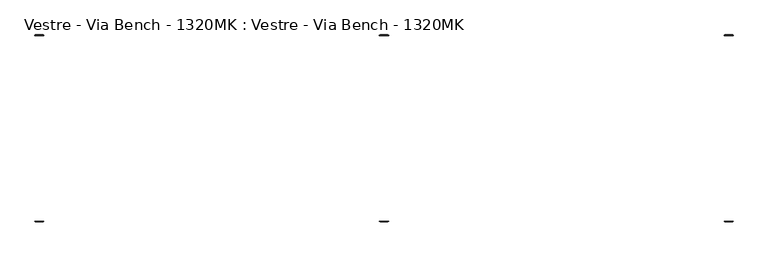
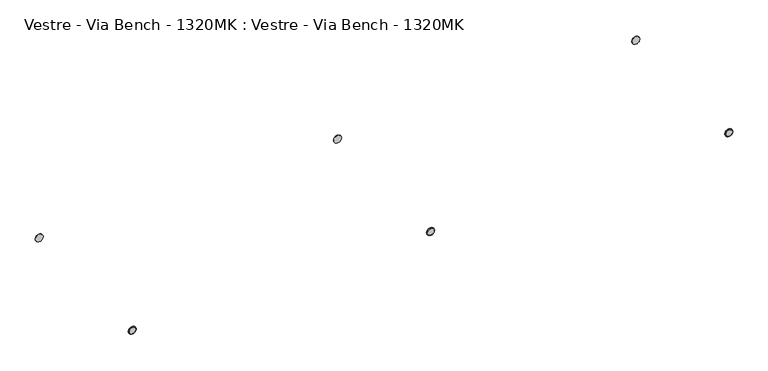
"""IFC4 building model written with IfcOpenShell, lengths in millimetres: furniture geometry, Vestre - Via Bench - 1320MK : Vestre - Via Bench - 1320MK."""

from ifc_helpers import new_model, si_unit, frame, origin, place, context, project, spatial, polyline, circle_curve, source, transform, mapped, element, save
from ifc_brep_helpers import plane_surface, cylinder_surface, revolved_surface, advanced_brep


def vestre_via_bench_1320mk_vestre_via_bench_1320mk_0cccfbcb(model_context):
    return source(origin(), model_context, "Body", "AdvancedBrep", [
        advanced_brep(
        [(932.4972559, 255.6840771, 71.499157), (957.4154558, 255.6840771, 71.499157), (957.4154558, 254.7292979, 71.499157), (932.4972559, 254.7292979, 71.499157), (934.0131788, 257.2, 71.499157), (955.8995329, 257.2, 71.499157)],
        [
            (0, 1, circle_curve(frame((944.9563558, 255.6840771, 71.499157), z_axis=(0.0, -1.0, 0.0), x_axis=(1.0, 0.0, 0.0)), 12.4590999)),
            (1, 2),
            (2, 3, circle_curve(frame((944.9563558, 254.7292979, 71.499157), z_axis=(0.0, 1.0, 0.0), x_axis=(1.0, 0.0, 0.0)), 12.4590999)),
            (3, 0),
            (0, 4),
            (4, 5, circle_curve(frame((944.9563558, 257.2, 71.499157), z_axis=(0.0, -1.0, 0.0), x_axis=(1.0, 0.0, 0.0)), 10.943177)),
            (5, 1),
            (2, 3, circle_curve(frame((944.9563558, 254.7292979, 71.499157), z_axis=(0.0, -1.0, 0.0), x_axis=(-1.0, 0.0, 0.0)), 12.4590999)),
            (1, 0, circle_curve(frame((944.9563558, 255.6840771, 71.499157), z_axis=(0.0, -1.0, 0.0), x_axis=(-1.0, 0.0, 0.0)), 12.4590999)),
            (5, 4, circle_curve(frame((944.9563558, 257.2, 71.499157), z_axis=(0.0, -1.0, 0.0), x_axis=(-1.0, 0.0, 0.0)), 10.943177)),
        ],
        [
            cylinder_surface(frame((944.9563558, 0.0, 71.499157), z_axis=(0.0, 1.0, 0.0), x_axis=(1.0, 0.0, 0.0)), 12.4590999),
            revolved_surface(polyline([(957.4154558, 255.6840771, 71.499157), (955.8995329, 257.2, 71.499157)]), (944.9563558, 0.0, 71.499157), (0.0, 1.0, 0.0)),
            plane_surface(frame((944.9563558, 254.7292979, 71.499157), z_axis=(0.0, -1.0, 0.0), x_axis=(-1.0, 0.0, 0.0))),
            cylinder_surface(frame((944.9563558, 0.0, 71.499157), z_axis=(0.0, 1.0, 0.0), x_axis=(-1.0, 0.0, 0.0)), 12.4590999),
            revolved_surface(polyline([(932.4972559, 255.6840771, 71.499157), (934.0131788, 257.2, 71.499157)]), (944.9563558, 0.0, 71.499157), (0.0, 1.0, 0.0)),
            plane_surface(frame((944.9563558, 257.2, 71.499157), z_axis=(0.0, 1.0, 0.0), x_axis=(-1.0, 0.0, 0.0))),
        ],
        [
            (0, [[1, 2, 3, 4]]),
            (1, [[-1, 5, 6, 7]]),
            (2, [[-3, 8]]),
            (3, [[-2, 9, -4, -8]]),
            (4, [[-7, 10, -5, -9]]),
            (5, [[-6, -10]]),
        ],
    ),
        advanced_brep(
        [(-12.4590999, 255.6840771, 71.499157), (12.4590999, 255.6840771, 71.499157), (12.4590999, 254.7292979, 71.499157), (-12.4590999, 254.7292979, 71.499157), (-10.943177, 257.2, 71.499157), (10.943177, 257.2, 71.499157)],
        [
            (0, 1, circle_curve(frame((0.0, 255.6840771, 71.499157), z_axis=(0.0, -1.0, 0.0), x_axis=(1.0, 0.0, 0.0)), 12.4590999)),
            (1, 2),
            (2, 3, circle_curve(frame((0.0, 254.7292979, 71.499157), z_axis=(0.0, 1.0, 0.0), x_axis=(1.0, 0.0, 0.0)), 12.4590999)),
            (3, 0),
            (0, 4),
            (4, 5, circle_curve(frame((0.0, 257.2, 71.499157), z_axis=(0.0, -1.0, 0.0), x_axis=(1.0, 0.0, 0.0)), 10.943177)),
            (5, 1),
            (2, 3, circle_curve(frame((0.0, 254.7292979, 71.499157), z_axis=(0.0, -1.0, 0.0), x_axis=(-1.0, 0.0, 0.0)), 12.4590999)),
            (1, 0, circle_curve(frame((0.0, 255.6840771, 71.499157), z_axis=(0.0, -1.0, 0.0), x_axis=(-1.0, 0.0, 0.0)), 12.4590999)),
            (5, 4, circle_curve(frame((0.0, 257.2, 71.499157), z_axis=(0.0, -1.0, 0.0), x_axis=(-1.0, 0.0, 0.0)), 10.943177)),
        ],
        [
            cylinder_surface(frame((0.0, 0.0, 71.499157), z_axis=(0.0, 1.0, 0.0), x_axis=(1.0, 0.0, 0.0)), 12.4590999),
            revolved_surface(polyline([(12.4590999, 255.6840771, 71.499157), (10.943177, 257.2, 71.499157)]), (0.0, 0.0, 71.499157), (0.0, 1.0, 0.0)),
            plane_surface(frame((0.0, 254.7292979, 71.499157), z_axis=(0.0, -1.0, 0.0), x_axis=(-1.0, 0.0, 0.0))),
            cylinder_surface(frame((0.0, 0.0, 71.499157), z_axis=(0.0, 1.0, 0.0), x_axis=(-1.0, 0.0, 0.0)), 12.4590999),
            revolved_surface(polyline([(-12.4590999, 255.6840771, 71.499157), (-10.943177, 257.2, 71.499157)]), (0.0, 0.0, 71.499157), (0.0, 1.0, 0.0)),
            plane_surface(frame((0.0, 257.2, 71.499157), z_axis=(0.0, 1.0, 0.0), x_axis=(-1.0, 0.0, 0.0))),
        ],
        [
            (0, [[1, 2, 3, 4]]),
            (1, [[-1, 5, 6, 7]]),
            (2, [[-3, 8]]),
            (3, [[-2, 9, -4, -8]]),
            (4, [[-7, 10, -5, -9]]),
            (5, [[-6, -10]]),
        ],
    ),
        advanced_brep(
        [(-932.4972559, 254.7292979, 71.499157), (-957.4154558, 254.7292979, 71.499157), (-957.4154558, 255.6840771, 71.499157), (-932.4972559, 255.6840771, 71.499157), (-955.8995329, 257.2, 71.499157), (-934.0131788, 257.2, 71.499157)],
        [
            (0, 1, circle_curve(frame((-944.9563558, 254.7292979, 71.499157), z_axis=(0.0, 1.0, 0.0), x_axis=(-1.0, 0.0, 0.0)), 12.4590999)),
            (1, 2),
            (2, 3, circle_curve(frame((-944.9563558, 255.6840771, 71.499157), z_axis=(0.0, -1.0, 0.0), x_axis=(-1.0, 0.0, 0.0)), 12.4590999)),
            (3, 0),
            (2, 4),
            (4, 5, circle_curve(frame((-944.9563558, 257.2, 71.499157), z_axis=(0.0, -1.0, 0.0), x_axis=(-1.0, 0.0, 0.0)), 10.943177)),
            (5, 3),
            (0, 1, circle_curve(frame((-944.9563558, 254.7292979, 71.499157), z_axis=(0.0, -1.0, 0.0), x_axis=(1.0, 0.0, 0.0)), 12.4590999)),
            (3, 2, circle_curve(frame((-944.9563558, 255.6840771, 71.499157), z_axis=(0.0, -1.0, 0.0), x_axis=(1.0, 0.0, 0.0)), 12.4590999)),
            (5, 4, circle_curve(frame((-944.9563558, 257.2, 71.499157), z_axis=(0.0, -1.0, 0.0), x_axis=(1.0, 0.0, 0.0)), 10.943177)),
        ],
        [
            cylinder_surface(frame((-944.9563558, 0.0, 71.499157), z_axis=(0.0, -1.0, 0.0), x_axis=(-1.0, 0.0, 0.0)), 12.4590999),
            revolved_surface(polyline([(-955.8995329, 257.2, 71.499157), (-957.4154558, 255.6840771, 71.499157)]), (-944.9563558, 0.0, 71.499157), (0.0, -1.0, 0.0)),
            plane_surface(frame((-944.9563558, 254.7292979, 71.499157), z_axis=(0.0, -1.0, 0.0), x_axis=(1.0, 0.0, 0.0))),
            cylinder_surface(frame((-944.9563558, 0.0, 71.499157), z_axis=(0.0, -1.0, 0.0), x_axis=(1.0, 0.0, 0.0)), 12.4590999),
            revolved_surface(polyline([(-934.0131788, 257.2, 71.499157), (-932.4972559, 255.6840771, 71.499157)]), (-944.9563558, 0.0, 71.499157), (0.0, -1.0, 0.0)),
            plane_surface(frame((-944.9563558, 257.2, 71.499157), z_axis=(0.0, 1.0, 0.0), x_axis=(1.0, 0.0, 0.0))),
        ],
        [
            (0, [[1, 2, 3, 4]]),
            (1, [[-3, 5, 6, 7]]),
            (2, [[-1, 8]]),
            (3, [[-2, -8, -4, 9]]),
            (4, [[-5, -9, -7, 10]]),
            (5, [[-6, -10]]),
        ],
    ),
        advanced_brep(
        [(932.4972559, -254.7292979, 71.499157), (957.4154558, -254.7292979, 71.499157), (957.4154558, -255.6840771, 71.499157), (932.4972559, -255.6840771, 71.499157), (955.8995329, -257.2, 71.499157), (934.0131788, -257.2, 71.499157)],
        [
            (0, 1, circle_curve(frame((944.9563558, -254.7292979, 71.499157), z_axis=(0.0, -1.0, 0.0), x_axis=(1.0, 0.0, 0.0)), 12.4590999)),
            (1, 2),
            (2, 3, circle_curve(frame((944.9563558, -255.6840771, 71.499157), z_axis=(0.0, 1.0, 0.0), x_axis=(1.0, 0.0, 0.0)), 12.4590999)),
            (3, 0),
            (2, 4),
            (4, 5, circle_curve(frame((944.9563558, -257.2, 71.499157), z_axis=(0.0, 1.0, 0.0), x_axis=(1.0, 0.0, 0.0)), 10.943177)),
            (5, 3),
            (0, 1, circle_curve(frame((944.9563558, -254.7292979, 71.499157), z_axis=(0.0, 1.0, 0.0), x_axis=(-1.0, 0.0, 0.0)), 12.4590999)),
            (3, 2, circle_curve(frame((944.9563558, -255.6840771, 71.499157), z_axis=(0.0, 1.0, 0.0), x_axis=(-1.0, 0.0, 0.0)), 12.4590999)),
            (5, 4, circle_curve(frame((944.9563558, -257.2, 71.499157), z_axis=(0.0, 1.0, 0.0), x_axis=(-1.0, 0.0, 0.0)), 10.943177)),
        ],
        [
            cylinder_surface(frame((944.9563558, 0.0, 71.499157), z_axis=(0.0, 1.0, 0.0), x_axis=(1.0, 0.0, 0.0)), 12.4590999),
            revolved_surface(polyline([(955.8995329, -257.2, 71.499157), (957.4154558, -255.6840771, 71.499157)]), (944.9563558, 0.0, 71.499157), (0.0, 1.0, 0.0)),
            plane_surface(frame((944.9563558, -254.7292979, 71.499157), z_axis=(0.0, 1.0, 0.0), x_axis=(-1.0, 0.0, 0.0))),
            cylinder_surface(frame((944.9563558, 0.0, 71.499157), z_axis=(0.0, 1.0, 0.0), x_axis=(-1.0, 0.0, 0.0)), 12.4590999),
            revolved_surface(polyline([(934.0131788, -257.2, 71.499157), (932.4972559, -255.6840771, 71.499157)]), (944.9563558, 0.0, 71.499157), (0.0, 1.0, 0.0)),
            plane_surface(frame((944.9563558, -257.2, 71.499157), z_axis=(0.0, -1.0, 0.0), x_axis=(-1.0, 0.0, 0.0))),
        ],
        [
            (0, [[1, 2, 3, 4]]),
            (1, [[-3, 5, 6, 7]]),
            (2, [[-1, 8]]),
            (3, [[-2, -8, -4, 9]]),
            (4, [[-5, -9, -7, 10]]),
            (5, [[-6, -10]]),
        ],
    ),
        advanced_brep(
        [(-12.4590999, -254.7292979, 71.499157), (12.4590999, -254.7292979, 71.499157), (12.4590999, -255.6840771, 71.499157), (-12.4590999, -255.6840771, 71.499157), (10.943177, -257.2, 71.499157), (-10.943177, -257.2, 71.499157)],
        [
            (0, 1, circle_curve(frame((0.0, -254.7292979, 71.499157), z_axis=(0.0, -1.0, 0.0), x_axis=(1.0, 0.0, 0.0)), 12.4590999)),
            (1, 2),
            (2, 3, circle_curve(frame((0.0, -255.6840771, 71.499157), z_axis=(0.0, 1.0, 0.0), x_axis=(1.0, 0.0, 0.0)), 12.4590999)),
            (3, 0),
            (2, 4),
            (4, 5, circle_curve(frame((0.0, -257.2, 71.499157), z_axis=(0.0, 1.0, 0.0), x_axis=(1.0, 0.0, 0.0)), 10.943177)),
            (5, 3),
            (0, 1, circle_curve(frame((0.0, -254.7292979, 71.499157), z_axis=(0.0, 1.0, 0.0), x_axis=(-1.0, 0.0, 0.0)), 12.4590999)),
            (3, 2, circle_curve(frame((0.0, -255.6840771, 71.499157), z_axis=(0.0, 1.0, 0.0), x_axis=(-1.0, 0.0, 0.0)), 12.4590999)),
            (5, 4, circle_curve(frame((0.0, -257.2, 71.499157), z_axis=(0.0, 1.0, 0.0), x_axis=(-1.0, 0.0, 0.0)), 10.943177)),
        ],
        [
            cylinder_surface(frame((0.0, 0.0, 71.499157), z_axis=(0.0, 1.0, 0.0), x_axis=(1.0, 0.0, 0.0)), 12.4590999),
            revolved_surface(polyline([(10.943177, -257.2, 71.499157), (12.4590999, -255.6840771, 71.499157)]), (0.0, 0.0, 71.499157), (0.0, 1.0, 0.0)),
            plane_surface(frame((0.0, -254.7292979, 71.499157), z_axis=(0.0, 1.0, 0.0), x_axis=(-1.0, 0.0, 0.0))),
            cylinder_surface(frame((0.0, 0.0, 71.499157), z_axis=(0.0, 1.0, 0.0), x_axis=(-1.0, 0.0, 0.0)), 12.4590999),
            revolved_surface(polyline([(-10.943177, -257.2, 71.499157), (-12.4590999, -255.6840771, 71.499157)]), (0.0, 0.0, 71.499157), (0.0, 1.0, 0.0)),
            plane_surface(frame((0.0, -257.2, 71.499157), z_axis=(0.0, -1.0, 0.0), x_axis=(-1.0, 0.0, 0.0))),
        ],
        [
            (0, [[1, 2, 3, 4]]),
            (1, [[-3, 5, 6, 7]]),
            (2, [[-1, 8]]),
            (3, [[-2, -8, -4, 9]]),
            (4, [[-5, -9, -7, 10]]),
            (5, [[-6, -10]]),
        ],
    ),
        advanced_brep(
        [(-932.4972559, -255.6840771, 71.499157), (-957.4154558, -255.6840771, 71.499157), (-957.4154558, -254.7292979, 71.499157), (-932.4972559, -254.7292979, 71.499157), (-934.0131788, -257.2, 71.499157), (-955.8995329, -257.2, 71.499157)],
        [
            (0, 1, circle_curve(frame((-944.9563558, -255.6840771, 71.499157), z_axis=(0.0, 1.0, 0.0), x_axis=(-1.0, 0.0, 0.0)), 12.4590999)),
            (1, 2),
            (2, 3, circle_curve(frame((-944.9563558, -254.7292979, 71.499157), z_axis=(0.0, -1.0, 0.0), x_axis=(-1.0, 0.0, 0.0)), 12.4590999)),
            (3, 0),
            (0, 4),
            (4, 5, circle_curve(frame((-944.9563558, -257.2, 71.499157), z_axis=(0.0, 1.0, 0.0), x_axis=(-1.0, 0.0, 0.0)), 10.943177)),
            (5, 1),
            (2, 3, circle_curve(frame((-944.9563558, -254.7292979, 71.499157), z_axis=(0.0, 1.0, 0.0), x_axis=(1.0, 0.0, 0.0)), 12.4590999)),
            (1, 0, circle_curve(frame((-944.9563558, -255.6840771, 71.499157), z_axis=(0.0, 1.0, 0.0), x_axis=(1.0, 0.0, 0.0)), 12.4590999)),
            (5, 4, circle_curve(frame((-944.9563558, -257.2, 71.499157), z_axis=(0.0, 1.0, 0.0), x_axis=(1.0, 0.0, 0.0)), 10.943177)),
        ],
        [
            cylinder_surface(frame((-944.9563558, 0.0, 71.499157), z_axis=(0.0, -1.0, 0.0), x_axis=(-1.0, 0.0, 0.0)), 12.4590999),
            revolved_surface(polyline([(-957.4154558, -255.6840771, 71.499157), (-955.8995329, -257.2, 71.499157)]), (-944.9563558, 0.0, 71.499157), (0.0, -1.0, 0.0)),
            plane_surface(frame((-944.9563558, -254.7292979, 71.499157), z_axis=(0.0, 1.0, 0.0), x_axis=(1.0, 0.0, 0.0))),
            cylinder_surface(frame((-944.9563558, 0.0, 71.499157), z_axis=(0.0, -1.0, 0.0), x_axis=(1.0, 0.0, 0.0)), 12.4590999),
            revolved_surface(polyline([(-932.4972559, -255.6840771, 71.499157), (-934.0131788, -257.2, 71.499157)]), (-944.9563558, 0.0, 71.499157), (0.0, -1.0, 0.0)),
            plane_surface(frame((-944.9563558, -257.2, 71.499157), z_axis=(0.0, -1.0, 0.0), x_axis=(1.0, 0.0, 0.0))),
        ],
        [
            (0, [[1, 2, 3, 4]]),
            (1, [[-1, 5, 6, 7]]),
            (2, [[-3, 8]]),
            (3, [[-2, 9, -4, -8]]),
            (4, [[-7, 10, -5, -9]]),
            (5, [[-6, -10]]),
        ],
    ),
    ])


if __name__ == "__main__":
    model = new_model("IFC4")
    model_context = context("Model", 3, world=origin())
    ifc_project = project(units=[si_unit("LENGTHUNIT", "METRE", prefix="MILLI")], contexts=[model_context])
    site = spatial("IfcSite", under=ifc_project)
    building = spatial("IfcBuilding", under=site)
    placement = place(None, origin())
    vestre_via_bench_1320mk_vestre_via_bench_1320mk_shape = vestre_via_bench_1320mk_vestre_via_bench_1320mk_0cccfbcb(model_context)
    element("IfcFurniture", 1, ObjectType="Vestre - Via Bench - 1320MK : Vestre - Via Bench - 1320MK", at=placement, inside=building, context=model_context, shape_type="MappedRepresentation", body=[
        mapped(vestre_via_bench_1320mk_vestre_via_bench_1320mk_shape, transform((0.0, 0.0, 0.0), x_axis=(1.0, 0.0, 0.0), y_axis=(0.0, 1.0, 0.0), z_axis=(0.0, 0.0, 1.0))),
    ])
    save(model, "model.ifc")
